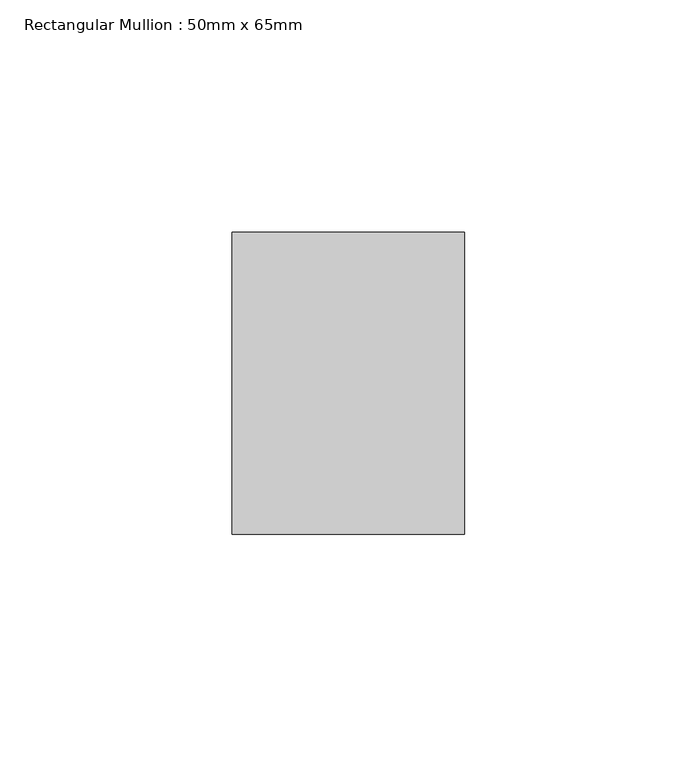
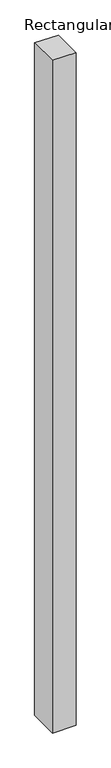
"""IFC4 building model written with IfcOpenShell, lengths in millimetres: member geometry, Rectangular Mullion : 50mm x 65mm."""

from ifc_helpers import new_model, si_unit, origin, place, context, project, spatial, faceted_brep, source, transform, mapped, element, save


def rectangular_mullion_50mm_x_65mm_8d6a4c17(model_context):
    return source(origin(), model_context, "Body", "Brep", [
        faceted_brep([(-25.0, 32.5, -0.1835723), (25.0, 32.5, -0.1835731), (25.0, 32.5, -1499.7333814), (-25.0, 32.5, -1499.7333827), (-25.0, -32.5, 0.1835731), (-25.0, -32.5, -1500.2662793), (25.0, -32.5, 0.1835723), (25.0, -32.5, -1500.266278)], [[[0, 1, 2, 3]], [[4, 0, 3, 5]], [[6, 4, 5, 7]], [[1, 6, 7, 2]], [[1, 0, 4, 6]], [[2, 7, 5, 3]]]),
    ])


if __name__ == "__main__":
    model = new_model("IFC4")
    model_context = context("Model", 3, world=origin())
    ifc_project = project(units=[si_unit("LENGTHUNIT", "METRE", prefix="MILLI")], contexts=[model_context])
    site = spatial("IfcSite", under=ifc_project)
    building = spatial("IfcBuilding", under=site)
    placement = place(None, origin())
    rectangular_mullion_50mm_x_65mm_shape = rectangular_mullion_50mm_x_65mm_8d6a4c17(model_context)
    element("IfcMember", 1, ObjectType="Rectangular Mullion : 50mm x 65mm", at=placement, inside=building, context=model_context, shape_type="MappedRepresentation", body=[
        mapped(rectangular_mullion_50mm_x_65mm_shape, transform((0.0, 0.0, 0.0), x_axis=(1.0, 0.0, 0.0), y_axis=(0.0, 1.0, 0.0), z_axis=(0.0, 0.0, 1.0))),
    ])
    save(model, "model.ifc")
